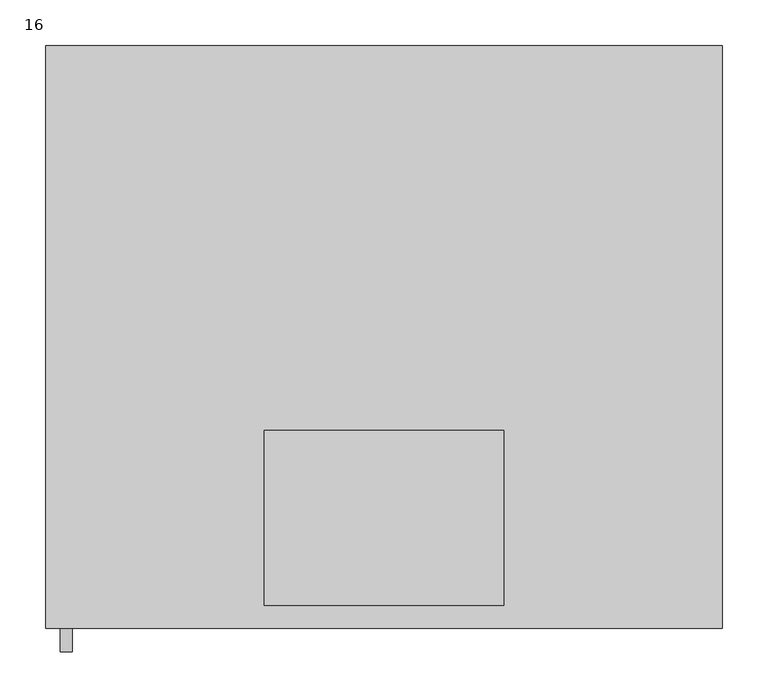
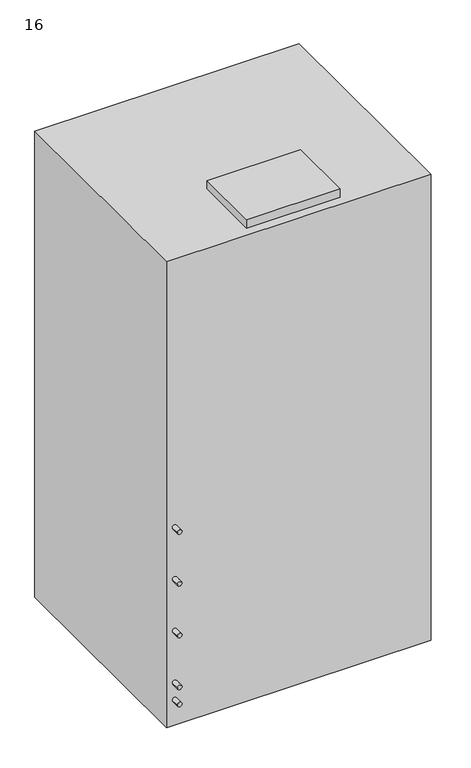
"""IFC4 building model written with IfcOpenShell, lengths in millimetres: proxy geometry, 16."""

from ifc_helpers import new_model, si_unit, point, frame, frame_2d, origin, origin_with_axes, place, context, project, spatial, polyline, circle_curve, trimmed, segment, composite_curve, outline, extrude, source, transform, mapped, element, save


def proxy_16_4325a606(model_context):
    return source(origin(), model_context, "Body", "SweptSolid", [
        extrude(outline(polyline([(136.0191802, -292.1), (-124.3308198, -292.1), (-124.3308198, -101.6), (136.0191802, -101.6), (136.0191802, -292.1)])), frame((0.0, 0.0, 1371.6), z_axis=(0.0, 0.0, 1.0), x_axis=(1.0, 0.0, 0.0)), (0.0, 0.0, 1.0), 25.4),
        extrude(outline(polyline([(374.1441802, 317.5), (374.1441802, -317.5), (-362.4558198, -317.5), (-362.4558198, 317.5), (374.1441802, 317.5)])), origin_with_axes(), (0.0, 0.0, 1.0), 1371.6),
        extrude(outline(composite_curve([segment(trimmed(circle_curve(frame_2d((584.2, -340.2210582)), 6.35), [point((584.2, -333.8710582))], [point((584.2, -346.5710582))], False, "CARTESIAN"), True, "CONTINUOUS"), segment(trimmed(circle_curve(frame_2d((584.2, -340.2210582)), 6.35), [point((584.2, -346.5710582))], [point((584.2, -333.8710582))], False, "CARTESIAN"), True, "CONTINUOUS")], self_intersect=False)), frame((0.0, -342.9, 0.0), z_axis=(0.0, 1.0, 0.0), x_axis=(0.0, 0.0, 1.0)), (0.0, 0.0, 1.0), 25.4),
        extrude(outline(composite_curve([segment(trimmed(circle_curve(frame_2d((431.8, -340.2210582)), 6.35), [point((431.8, -333.8710582))], [point((431.8, -346.5710582))], False, "CARTESIAN"), True, "CONTINUOUS"), segment(trimmed(circle_curve(frame_2d((431.8, -340.2210582)), 6.35), [point((431.8, -346.5710582))], [point((431.8, -333.8710582))], False, "CARTESIAN"), True, "CONTINUOUS")], self_intersect=False)), frame((0.0, -342.9, 0.0), z_axis=(0.0, 1.0, 0.0), x_axis=(0.0, 0.0, 1.0)), (0.0, 0.0, 1.0), 25.4),
        extrude(outline(composite_curve([segment(trimmed(circle_curve(frame_2d((279.4, -340.2210582)), 6.35), [point((279.4, -333.8710582))], [point((279.4, -346.5710582))], False, "CARTESIAN"), True, "CONTINUOUS"), segment(trimmed(circle_curve(frame_2d((279.4, -340.2210582)), 6.35), [point((279.4, -346.5710582))], [point((279.4, -333.8710582))], False, "CARTESIAN"), True, "CONTINUOUS")], self_intersect=False)), frame((0.0, -342.9, 0.0), z_axis=(0.0, 1.0, 0.0), x_axis=(0.0, 0.0, 1.0)), (0.0, 0.0, 1.0), 25.4),
        extrude(outline(composite_curve([segment(trimmed(circle_curve(frame_2d((127.0, -340.2210582)), 6.35), [point((127.0, -333.8710582))], [point((127.0, -346.5710582))], False, "CARTESIAN"), True, "CONTINUOUS"), segment(trimmed(circle_curve(frame_2d((127.0, -340.2210582)), 6.35), [point((127.0, -346.5710582))], [point((127.0, -333.8710582))], False, "CARTESIAN"), True, "CONTINUOUS")], self_intersect=False)), frame((0.0, -342.9, 0.0), z_axis=(0.0, 1.0, 0.0), x_axis=(0.0, 0.0, 1.0)), (0.0, 0.0, 1.0), 25.4),
        extrude(outline(composite_curve([segment(trimmed(circle_curve(frame_2d((76.2, -340.2210582)), 6.35), [point((76.2, -333.8710582))], [point((76.2, -346.5710582))], False, "CARTESIAN"), True, "CONTINUOUS"), segment(trimmed(circle_curve(frame_2d((76.2, -340.2210582)), 6.35), [point((76.2, -346.5710582))], [point((76.2, -333.8710582))], False, "CARTESIAN"), True, "CONTINUOUS")], self_intersect=False)), frame((0.0, -342.9, 0.0), z_axis=(0.0, 1.0, 0.0), x_axis=(0.0, 0.0, 1.0)), (0.0, 0.0, 1.0), 25.4),
    ])


if __name__ == "__main__":
    model = new_model("IFC4")
    model_context = context("Model", 3, world=origin())
    ifc_project = project(units=[si_unit("LENGTHUNIT", "METRE", prefix="MILLI")], contexts=[model_context])
    site = spatial("IfcSite", under=ifc_project)
    building = spatial("IfcBuilding", under=site)
    placement = place(None, origin())
    proxy_16_shape = proxy_16_4325a606(model_context)
    element("IfcBuildingElementProxy", 1, Name="16", ObjectType="16", at=placement, inside=building, context=model_context, shape_type="MappedRepresentation", body=[
        mapped(proxy_16_shape, transform((0.0, 0.0, 0.0), x_axis=(1.0, 0.0, 0.0), y_axis=(0.0, 1.0, 0.0), z_axis=(0.0, 0.0, 1.0))),
    ])
    save(model, "model.ifc")
